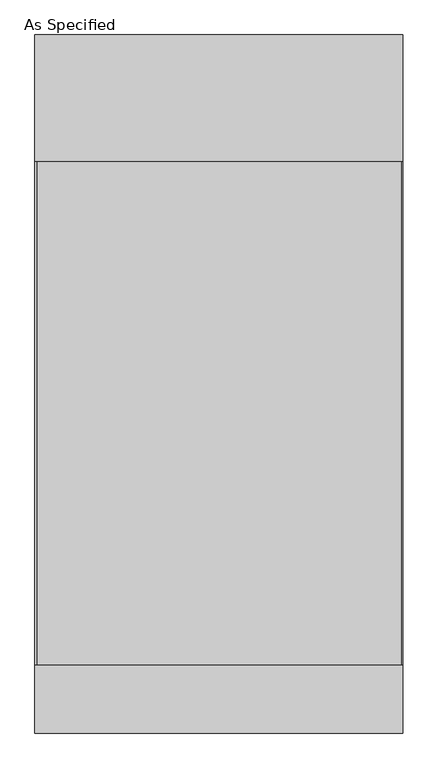
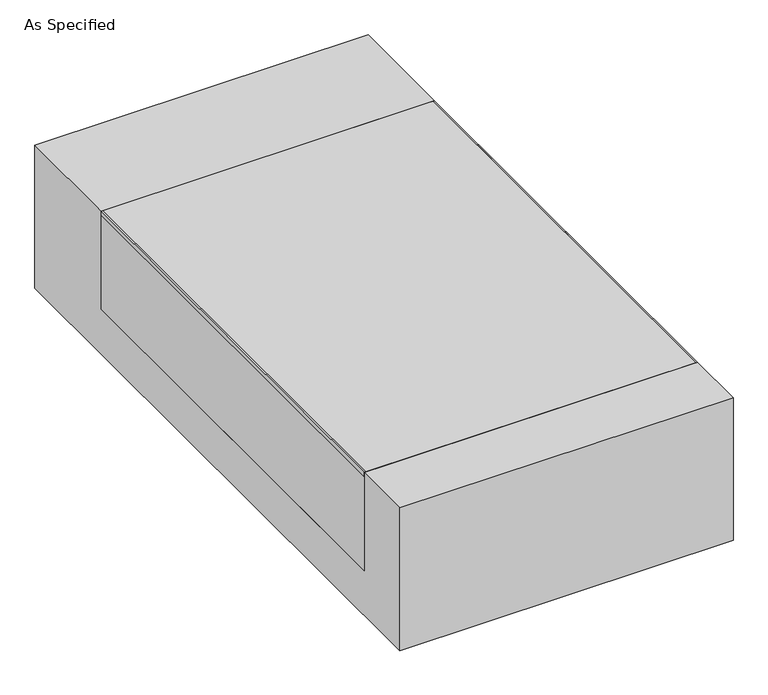
"""IFC4 building model written with IfcOpenShell, lengths in millimetres: proxy geometry, As Specified."""

from ifc_helpers import new_model, si_unit, point, frame, frame_2d, origin, place, context, project, spatial, polyline, circle_curve, trimmed, segment, composite_curve, outline, extrude, source, transform, mapped, element, save


def as_specified_15f69afd(model_context):
    return source(origin(), model_context, "Body", "SweptSolid", [
        extrude(outline(composite_curve([segment(trimmed(circle_curve(frame_2d((237.2125, -1007.275)), 10.5), [point((237.2125, -1017.775))], [point((237.2125, -996.775))], False, "CARTESIAN"), True, "CONTINUOUS"), segment(trimmed(circle_curve(frame_2d((237.2125, -1007.275)), 10.5), [point((237.2125, -996.775))], [point((237.2125, -1017.775))], False, "CARTESIAN"), True, "CONTINUOUS")], self_intersect=False)), frame((0.0, 0.0, -562.225), z_axis=(0.0, 0.0, 1.0), x_axis=(1.0, 0.0, 0.0)), (0.0, 0.0, 1.0), 32.0),
        extrude(outline(polyline([(-551.65625, -850.9), (-557.2125, -850.9), (-557.2125, 673.1), (-551.65625, 673.1), (-551.65625, -850.9)])), frame((0.0, 0.0, -39.6875), z_axis=(0.0, 0.0, 1.0), x_axis=(1.0, 0.0, 0.0)), (0.0, 0.0, 1.0), 14.2875),
        extrude(outline(polyline([(553.24375, 673.1), (557.2125, 673.1), (557.2125, -850.9), (553.24375, -850.9), (553.24375, 673.1)])), frame((0.0, 0.0, -39.6875), z_axis=(0.0, 0.0, 1.0), x_axis=(1.0, 0.0, 0.0)), (0.0, 0.0, 1.0), 14.2875),
        extrude(outline(polyline([(557.2125, 673.1), (557.2125, -850.9), (-557.2125, -850.9), (-557.2125, 673.1), (557.2125, 673.1)])), frame((0.0, 0.0, -373.0625), z_axis=(0.0, 0.0, 1.0), x_axis=(1.0, 0.0, 0.0)), (0.0, 0.0, 1.0), 347.6625),
        extrude(outline(polyline([(1057.275, -25.4), (1057.275, -530.225), (-1057.275, -530.225), (-1057.275, -25.4), (-850.9, -25.4), (-850.9, -373.0625), (673.1, -373.0625), (673.1, -25.4), (1057.275, -25.4)])), frame((-557.2125, 0.0, 0.0), z_axis=(1.0, 0.0, 0.0), x_axis=(0.0, 1.0, 0.0)), (0.0, 0.0, 1.0), 1114.425),
    ])


if __name__ == "__main__":
    model = new_model("IFC4")
    model_context = context("Model", 3, world=origin())
    ifc_project = project(units=[si_unit("LENGTHUNIT", "METRE", prefix="MILLI")], contexts=[model_context])
    site = spatial("IfcSite", under=ifc_project)
    building = spatial("IfcBuilding", under=site)
    placement = place(None, origin())
    as_specified_shape = as_specified_15f69afd(model_context)
    element("IfcBuildingElementProxy", 1, Name="As Specified", ObjectType="As Specified", at=placement, inside=building, context=model_context, shape_type="MappedRepresentation", body=[
        mapped(as_specified_shape, transform((0.0, 0.0, 0.0), x_axis=(1.0, 0.0, 0.0), y_axis=(0.0, 1.0, 0.0), z_axis=(0.0, 0.0, 1.0))),
    ])
    save(model, "model.ifc")
